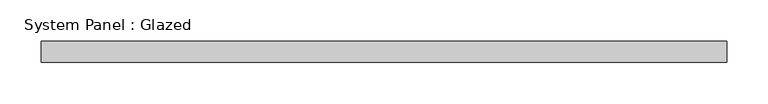
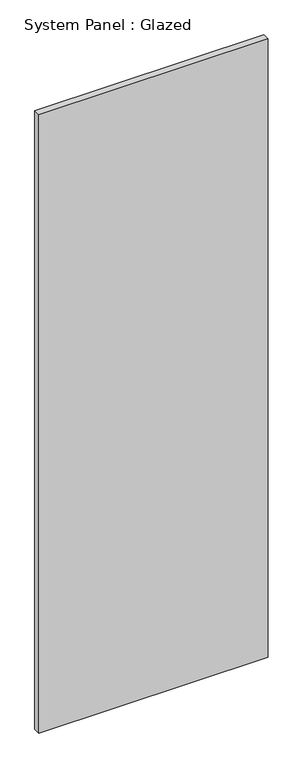
"""IFC4 building model written with IfcOpenShell, lengths in millimetres: plate geometry, System Panel : Glazed."""

from ifc_helpers import new_model, si_unit, origin, origin_with_axes, place, context, project, spatial, polyline, outline, extrude, source, transform, mapped, element, save


def system_panel_glazed_2a363696(model_context):
    return source(origin(), model_context, "Body", "SweptSolid", [
        extrude(outline(polyline([(415.925, -12.7), (-415.925, -12.7), (-415.925, 12.7), (415.925, 12.7), (415.925, -12.7)])), origin_with_axes(), (0.0, 0.0, 1.0), 2368.55),
    ])


if __name__ == "__main__":
    model = new_model("IFC4")
    model_context = context("Model", 3, world=origin())
    ifc_project = project(units=[si_unit("LENGTHUNIT", "METRE", prefix="MILLI")], contexts=[model_context])
    site = spatial("IfcSite", under=ifc_project)
    building = spatial("IfcBuilding", under=site)
    placement = place(None, origin())
    system_panel_glazed_shape = system_panel_glazed_2a363696(model_context)
    element("IfcPlate", 1, ObjectType="System Panel : Glazed", at=placement, inside=building, context=model_context, shape_type="MappedRepresentation", body=[
        mapped(system_panel_glazed_shape, transform((0.0, 0.0, 0.0), x_axis=(1.0, 0.0, 0.0), y_axis=(0.0, 1.0, 0.0), z_axis=(0.0, 0.0, 1.0))),
    ])
    save(model, "model.ifc")
